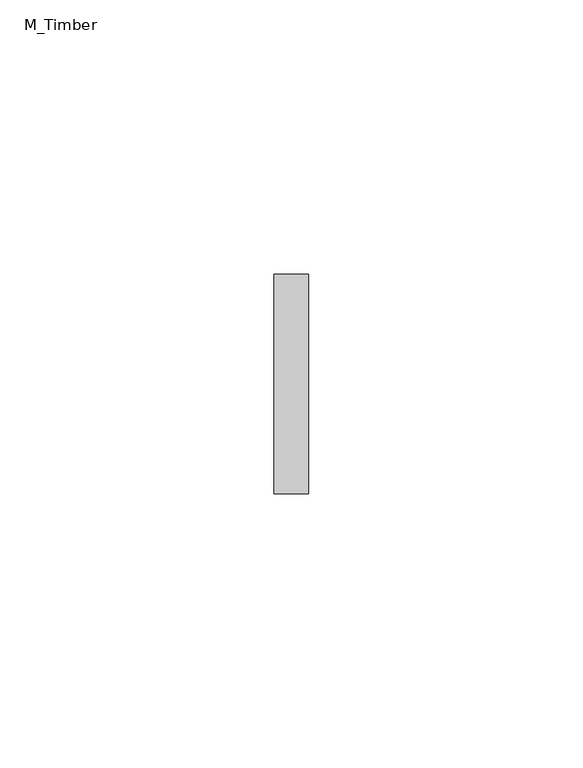
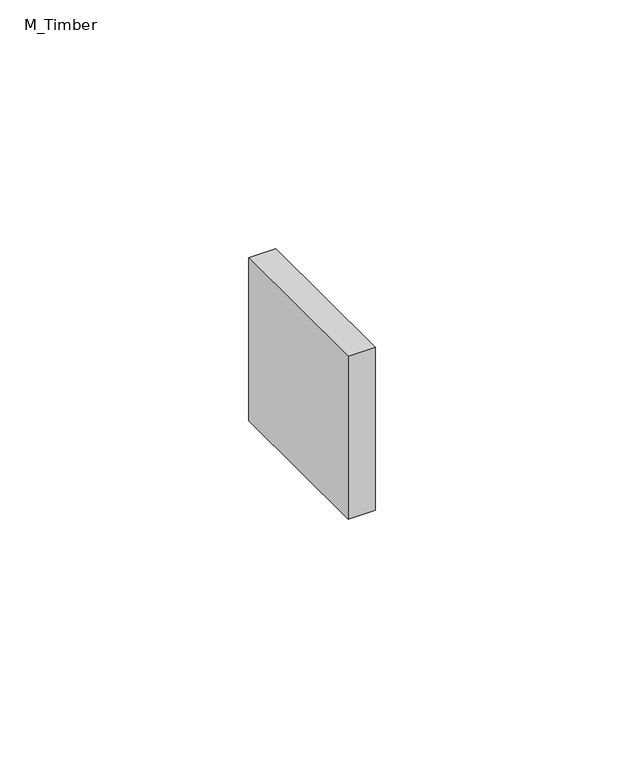
"""IFC4 building model written with IfcOpenShell, lengths in millimetres: beam geometry, M_Timber."""

import ifcopenshell
import ifcopenshell.guid

model = None  # the IFC model being written
_history = None  # IfcOwnerHistory: only IFC2X3 demands one
_inside = {}  # id of a spatial element -> (the spatial element, [elements in it])
_under = {}  # id of a project, library or spatial element -> (it, [spatial elements below it])
_declared = {}  # id of a project -> (the project, [libraries it declares])
_typed = {}  # id of a type object -> (the type object, [elements of that type])
_made_of = {}  # id of a material, layer set ... -> (it, [elements and type objects made of it])


def new_model(schema):
    """Start an empty IFC model of exactly this schema.

    Asked for "IFC4X3", IfcOpenShell would pick the latest addendum, in which some entities
    have other attributes; the version numbers below select the first issue.
    IFC2X3 requires an IfcOwnerHistory on every rooted entity: one is made here for all.
    """
    global model, _history
    if schema == "IFC4X3":
        model = ifcopenshell.file(schema_version=(4, 3, 0, 0))
    else:
        model = ifcopenshell.file(schema=schema)
    _inside.clear()
    _under.clear()
    _declared.clear()
    _typed.clear()
    _made_of.clear()
    _history = None
    if model.schema == "IFC2X3":
        org = make("IfcOrganization", Name="unknown")
        user = make(
            "IfcPersonAndOrganization",
            ThePerson=make("IfcPerson", FamilyName="unknown"),
            TheOrganization=org,
        )
        app = make(
            "IfcApplication",
            ApplicationDeveloper=org,
            Version="unknown",
            ApplicationFullName="unknown",
            ApplicationIdentifier="unknown",
        )
        _history = make(
            "IfcOwnerHistory",
            OwningUser=user,
            OwningApplication=app,
            ChangeAction="ADDED",
            CreationDate=0,
        )
    return model


def make(cls, **values):
    """One entity of the class cls with the attributes given. An attribute that is None is left unset."""
    return model.create_entity(
        cls, **{name: value for name, value in values.items() if value is not None}
    )


def rooted(cls, **values):
    """An entity with a GlobalId (a new one), such as an element, a storey or a relation."""
    return make(cls, GlobalId=ifcopenshell.guid.new(), OwnerHistory=_history, **values)


def si_unit(unit_type, name, prefix=None):
    """IfcSIUnit, for example si_unit("LENGTHUNIT", "METRE", prefix="MILLI")."""
    return make("IfcSIUnit", UnitType=unit_type, Prefix=prefix, Name=name)


def assignment(units):
    """IfcUnitAssignment: the units of a project."""
    return None if units is None else make("IfcUnitAssignment", Units=units)


def point(xyz):
    """IfcCartesianPoint."""
    return None if xyz is None else make("IfcCartesianPoint", Coordinates=xyz)


def direction(xyz):
    """IfcDirection."""
    return None if xyz is None else make("IfcDirection", DirectionRatios=xyz)


def frame(location, z_axis=None, x_axis=None):
    """IfcAxis2Placement3D, a coordinate frame: its origin and axes. An axis left out is left unset."""
    return make(
        "IfcAxis2Placement3D",
        Location=point(location),
        Axis=direction(z_axis),
        RefDirection=direction(x_axis),
    )


def origin():
    """The frame at (0, 0, 0) with its axes left unset."""
    return frame((0.0, 0.0, 0.0))


def place(relative_to, where):
    """IfcLocalPlacement: puts the frame where relative to a parent placement (None: the world)."""
    return make(
        "IfcLocalPlacement", PlacementRelTo=relative_to, RelativePlacement=where
    )


def context(
    kind, dimensions, precision=None, world=None, true_north=None, identifier=None
):
    """IfcGeometricRepresentationContext, for example the 3D "Model" context."""
    return make(
        "IfcGeometricRepresentationContext",
        ContextIdentifier=identifier,
        ContextType=kind,
        CoordinateSpaceDimension=dimensions,
        Precision=precision,
        WorldCoordinateSystem=world,
        TrueNorth=true_north,
    )


def project(units=None, contexts=None):
    """IfcProject with its units and contexts."""
    return rooted(
        "IfcProject",
        Name="project",
        RepresentationContexts=contexts,
        UnitsInContext=assignment(units),
    )


def spatial(cls, under=None, at=None, **own):
    """A site, building, storey or space (cls), placed at a placement, below another one or the project."""
    s = rooted(cls, ObjectPlacement=at, **own)
    if under is not None:
        _under.setdefault(under.id(), (under, []))[1].append(s)
    return s


def polyline(points):
    """IfcPolyline through the points."""
    return make("IfcPolyline", Points=[point(p) for p in points])


def outline(outer, holes=None, kind="AREA"):
    """IfcArbitraryClosedProfileDef: a profile drawn as a closed curve; with holes, ...WithVoids."""
    if holes is None:
        return make("IfcArbitraryClosedProfileDef", ProfileType=kind, OuterCurve=outer)
    return make(
        "IfcArbitraryProfileDefWithVoids",
        ProfileType=kind,
        OuterCurve=outer,
        InnerCurves=holes,
    )


def extrude(swept, where, along, depth):
    """IfcExtrudedAreaSolid: the profile swept, set in the frame where, extruded along a direction by depth."""
    return make(
        "IfcExtrudedAreaSolid",
        SweptArea=swept,
        Position=where,
        ExtrudedDirection=direction(along),
        Depth=depth,
    )


def shape(context_of_items, identifier, shape_type, items):
    """IfcShapeRepresentation: the items that make up one representation, for example the "Body"."""
    return make(
        "IfcShapeRepresentation",
        ContextOfItems=context_of_items,
        RepresentationIdentifier=identifier,
        RepresentationType=shape_type,
        Items=items,
    )


def source(mapping_origin, context_of_items, identifier, shape_type, items):
    """IfcRepresentationMap: a shape defined once, which mapped items show again and again."""
    return make(
        "IfcRepresentationMap",
        MappingOrigin=mapping_origin,
        MappedRepresentation=shape(context_of_items, identifier, shape_type, items),
    )


def transform(
    local_origin,
    x_axis=None,
    y_axis=None,
    z_axis=None,
    scale=None,
    scale2=None,
    scale3=None,
    uniform=True,
):
    """IfcCartesianTransformationOperator3D, or its non-uniform kind. x_axis, y_axis, z_axis: its Axis1, 2, 3."""
    if uniform:
        return make(
            "IfcCartesianTransformationOperator3D",
            Axis1=direction(x_axis),
            Axis2=direction(y_axis),
            LocalOrigin=point(local_origin),
            Scale=scale,
            Axis3=direction(z_axis),
        )
    return make(
        "IfcCartesianTransformationOperator3DnonUniform",
        Axis1=direction(x_axis),
        Axis2=direction(y_axis),
        LocalOrigin=point(local_origin),
        Scale=scale,
        Axis3=direction(z_axis),
        Scale2=scale2,
        Scale3=scale3,
    )


def mapped(mapping_source, mapping_target):
    """IfcMappedItem: shows the shape of a source again, moved by a transform."""
    return make(
        "IfcMappedItem", MappingSource=mapping_source, MappingTarget=mapping_target
    )


def made_of(thing, what):
    """Note that an element or type object is made of a material, layer set ...; save() writes the relation."""
    if what is not None:
        _made_of.setdefault(what.id(), (what, []))[1].append(thing)
    return thing


def element(
    cls,
    number,
    at=None,
    inside=None,
    cuts=None,
    type_object=None,
    material=None,
    context=None,
    identifier="Body",
    shape_type=None,
    held_by="IfcProductDefinitionShape",
    body=None,
    shapes=None,
    **own,
):
    """One element of the class cls, such as IfcWall. Its Tag is "e" and its number.

    at: its placement. inside: the storey or other place that contains it. cuts: it is an
    opening in that element (IfcRelVoidsElement). A single representation is given by context,
    identifier, shape_type and body (its items); several are given by shapes. held_by: the class
    of the entity that holds the representations. save() writes the other relations.
    """
    e = rooted(cls, Tag="e%d" % number, ObjectPlacement=at, **own)
    if body is not None:
        shapes = [shape(context, identifier, shape_type, body)]
    if shapes is not None:
        e.Representation = make(held_by, Representations=shapes)
    if inside is not None:
        _inside.setdefault(inside.id(), (inside, []))[1].append(e)
    if cuts is not None:
        rooted(
            "IfcRelVoidsElement", RelatingBuildingElement=cuts, RelatedOpeningElement=e
        )
    if type_object is not None:
        _typed.setdefault(type_object.id(), (type_object, []))[1].append(e)
    return made_of(e, material)


def aggregate(whole, parts):
    """IfcRelAggregates: a whole, such as a stair, and the parts it consists of."""
    return rooted("IfcRelAggregates", RelatingObject=whole, RelatedObjects=parts)


def save(model, path):
    """Write the relations noted so far, then the file.

    IfcRelAggregates (storeys below a building ...), IfcRelContainedInSpatialStructure (elements
    in a storey), IfcRelDefinesByType, IfcRelAssociatesMaterial and IfcRelDeclares: one each for
    every whole, place, type object, material and project.
    """
    for whole, parts in _under.values():
        aggregate(whole, parts)
    for where, things in _inside.values():
        rooted(
            "IfcRelContainedInSpatialStructure",
            RelatedElements=things,
            RelatingStructure=where,
        )
    for kind, things in _typed.values():
        rooted("IfcRelDefinesByType", RelatedObjects=things, RelatingType=kind)
    for what, things in _made_of.values():
        rooted("IfcRelAssociatesMaterial", RelatedObjects=things, RelatingMaterial=what)
    for by, libraries in _declared.values():
        rooted("IfcRelDeclares", RelatingContext=by, RelatedDefinitions=libraries)
    model.write(path)


def m_timber_9725b515(model_context):
    return source(origin(), model_context, "Body", "SweptSolid", [
        extrude(outline(polyline([(3.1581862, 20.0), (3.1581862, -20.0), (-3.1581862, -20.0), (-3.1581862, 20.0), (3.1581862, 20.0)])), frame((0.0, 0.0, -20.0), z_axis=(0.0, 0.0, 1.0), x_axis=(1.0, 0.0, 0.0)), (0.0, 0.0, 1.0), 40.0),
    ])


if __name__ == "__main__":
    model = new_model("IFC4")
    model_context = context("Model", 3, world=origin())
    ifc_project = project(units=[si_unit("LENGTHUNIT", "METRE", prefix="MILLI")], contexts=[model_context])
    site = spatial("IfcSite", under=ifc_project)
    building = spatial("IfcBuilding", under=site)
    placement = place(None, origin())
    m_timber_shape = m_timber_9725b515(model_context)
    element("IfcBeam", 1, ObjectType="M_Timber", at=placement, inside=building, context=model_context, shape_type="MappedRepresentation", body=[
        mapped(m_timber_shape, transform((0.0, 0.0, 0.0), x_axis=(1.0, 0.0, 0.0), y_axis=(0.0, 1.0, 0.0), z_axis=(0.0, 0.0, 1.0))),
    ])
    save(model, "model.ifc")
